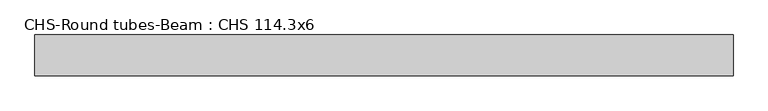
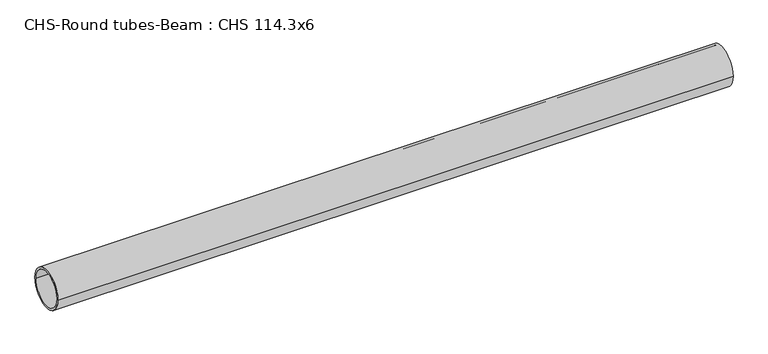
"""IFC4 building model written with IfcOpenShell, lengths in millimetres: beam geometry, CHS-Round tubes-Beam : CHS 114.3x6."""

from ifc_helpers import new_model, si_unit, point, frame, origin, origin_2d, place, context, project, spatial, circle_curve, trimmed, segment, composite_curve, outline, extrude, source, transform, mapped, element, save


def chs_round_tubes_beam_chs_114_3x6_c0898e6d(model_context):
    return source(origin(), model_context, "Body", "SweptSolid", [
        extrude(outline(composite_curve([segment(trimmed(circle_curve(origin_2d(), 57.15), [point((57.15, 0.0))], [point((-57.15, 0.0))], False, "CARTESIAN"), True, "CONTINUOUS"), segment(trimmed(circle_curve(origin_2d(), 57.15), [point((-57.15, 0.0))], [point((57.15, 0.0))], False, "CARTESIAN"), True, "CONTINUOUS")], self_intersect=False), holes=[composite_curve([segment(trimmed(circle_curve(origin_2d(), 51.15), [point((51.15, 0.0))], [point((-51.15, 0.0))], True, "CARTESIAN"), True, "CONTINUOUS"), segment(trimmed(circle_curve(origin_2d(), 51.15), [point((-51.15, 0.0))], [point((51.15, 0.0))], True, "CARTESIAN"), True, "CONTINUOUS")], self_intersect=False)]), frame((-977.5267322, 0.0, 0.0), z_axis=(1.0, 0.0, 0.0), x_axis=(0.0, 1.0, 0.0)), (0.0, 0.0, 1.0), 1944.7750727),
    ])


if __name__ == "__main__":
    model = new_model("IFC4")
    model_context = context("Model", 3, world=origin())
    ifc_project = project(units=[si_unit("LENGTHUNIT", "METRE", prefix="MILLI")], contexts=[model_context])
    site = spatial("IfcSite", under=ifc_project)
    building = spatial("IfcBuilding", under=site)
    placement = place(None, origin())
    chs_round_tubes_beam_chs_114_3x6_shape = chs_round_tubes_beam_chs_114_3x6_c0898e6d(model_context)
    element("IfcBeam", 1, ObjectType="CHS-Round tubes-Beam : CHS 114.3x6", at=placement, inside=building, context=model_context, shape_type="MappedRepresentation", body=[
        mapped(chs_round_tubes_beam_chs_114_3x6_shape, transform((0.0, 0.0, 0.0), x_axis=(1.0, 0.0, 0.0), y_axis=(0.0, 1.0, 0.0), z_axis=(0.0, 0.0, 1.0))),
    ])
    save(model, "model.ifc")
